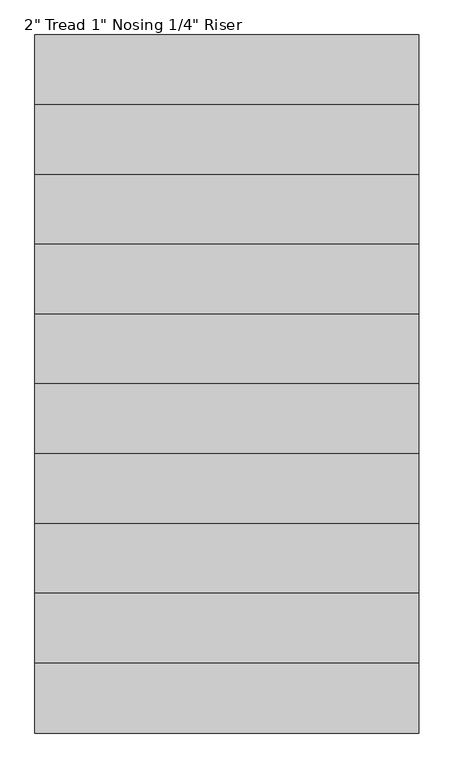
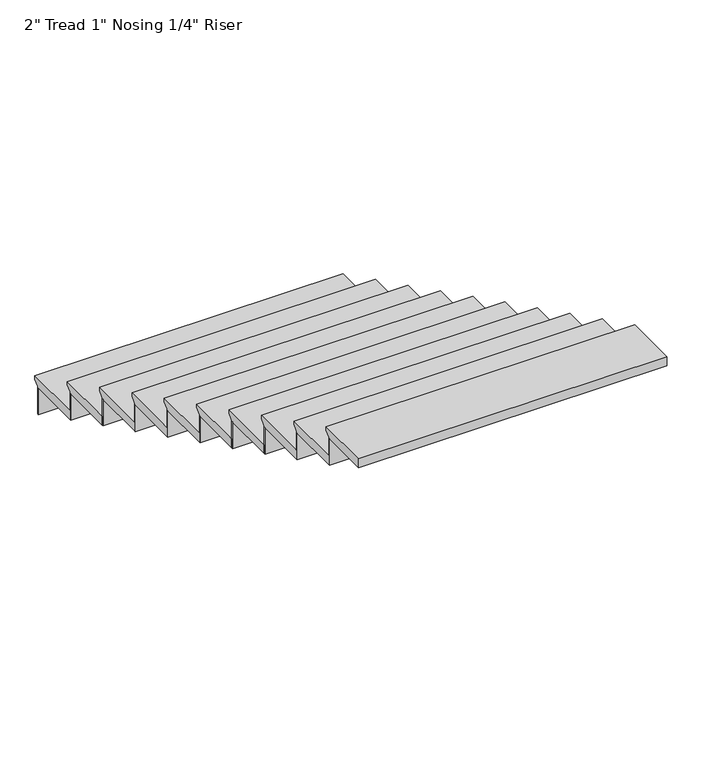
"""IFC4 building model written with IfcOpenShell, lengths in millimetres: stair flight geometry."""

from ifc_helpers import new_model, si_unit, frame, origin, place, context, project, spatial, polyline, outline, extrude, source, transform, mapped, element, save


def stair_flight_04670fc2(model_context):
    return source(origin(), model_context, "Body", "SweptSolid", [
        extrude(outline(polyline([(224406.1956745, -2387.6), (224736.3956745, -2387.6), (224736.3956745, -2406.65), (224710.9956745, -2432.05), (224710.9956745, -2438.4), (224406.1956745, -2438.4), (224406.1956745, -2387.6)])), frame((-154720.9739901, 0.0, 0.0), z_axis=(1.0, 0.0, 0.0), x_axis=(0.0, 1.0, 0.0)), (0.0, 0.0, 1.0), 1676.4),
        extrude(outline(polyline([(-154720.9739901, 224704.6456745), (-154720.9739901, 224710.9956745), (-153044.5739901, 224710.9956745), (-153044.5739901, 224704.6456745), (-154720.9739901, 224704.6456745)])), frame((0.0, 0.0, -2590.8), z_axis=(0.0, 0.0, 1.0), x_axis=(1.0, 0.0, 0.0)), (0.0, 0.0, 1.0), 152.4),
        extrude(outline(polyline([(-154720.9739901, 224399.8456745), (-154720.9739901, 224406.1956745), (-153044.5739901, 224406.1956745), (-153044.5739901, 224399.8456745), (-154720.9739901, 224399.8456745)])), frame((0.0, 0.0, -2438.4), z_axis=(0.0, 0.0, 1.0), x_axis=(1.0, 0.0, 0.0)), (0.0, 0.0, 1.0), 152.4),
        extrude(outline(polyline([(224101.3956745, -2235.2), (224431.5956745, -2235.2), (224431.5956745, -2254.25), (224406.1956745, -2279.65), (224406.1956745, -2286.0), (224101.3956745, -2286.0), (224101.3956745, -2235.2)])), frame((-154720.9739901, 0.0, 0.0), z_axis=(1.0, 0.0, 0.0), x_axis=(0.0, 1.0, 0.0)), (0.0, 0.0, 1.0), 1676.4),
        extrude(outline(polyline([(-154720.9739901, 224095.0456745), (-154720.9739901, 224101.3956745), (-153044.5739901, 224101.3956745), (-153044.5739901, 224095.0456745), (-154720.9739901, 224095.0456745)])), frame((0.0, 0.0, -2286.0), z_axis=(0.0, 0.0, 1.0), x_axis=(1.0, 0.0, 0.0)), (0.0, 0.0, 1.0), 152.4),
        extrude(outline(polyline([(223796.5956745, -2082.8), (224126.7956745, -2082.8), (224126.7956745, -2101.85), (224101.3956745, -2127.25), (224101.3956745, -2133.6), (223796.5956745, -2133.6), (223796.5956745, -2082.8)])), frame((-154720.9739901, 0.0, 0.0), z_axis=(1.0, 0.0, 0.0), x_axis=(0.0, 1.0, 0.0)), (0.0, 0.0, 1.0), 1676.4),
        extrude(outline(polyline([(-154720.9739901, 223790.2456745), (-154720.9739901, 223796.5956745), (-153044.5739901, 223796.5956745), (-153044.5739901, 223790.2456745), (-154720.9739901, 223790.2456745)])), frame((0.0, 0.0, -2133.6), z_axis=(0.0, 0.0, 1.0), x_axis=(1.0, 0.0, 0.0)), (0.0, 0.0, 1.0), 152.4),
        extrude(outline(polyline([(223491.7956745, -1930.4), (223821.9956745, -1930.4), (223821.9956745, -1949.45), (223796.5956745, -1974.85), (223796.5956745, -1981.2), (223491.7956745, -1981.2), (223491.7956745, -1930.4)])), frame((-154720.9739901, 0.0, 0.0), z_axis=(1.0, 0.0, 0.0), x_axis=(0.0, 1.0, 0.0)), (0.0, 0.0, 1.0), 1676.4),
        extrude(outline(polyline([(-154720.9739901, 223485.4456745), (-154720.9739901, 223491.7956745), (-153044.5739901, 223491.7956745), (-153044.5739901, 223485.4456745), (-154720.9739901, 223485.4456745)])), frame((0.0, 0.0, -1981.2), z_axis=(0.0, 0.0, 1.0), x_axis=(1.0, 0.0, 0.0)), (0.0, 0.0, 1.0), 152.4),
        extrude(outline(polyline([(223186.9956745, -1778.0), (223517.1956745, -1778.0), (223517.1956745, -1797.05), (223491.7956745, -1822.45), (223491.7956745, -1828.8), (223186.9956745, -1828.8), (223186.9956745, -1778.0)])), frame((-154720.9739901, 0.0, 0.0), z_axis=(1.0, 0.0, 0.0), x_axis=(0.0, 1.0, 0.0)), (0.0, 0.0, 1.0), 1676.4),
        extrude(outline(polyline([(-154720.9739901, 223180.6456745), (-154720.9739901, 223186.9956745), (-153044.5739901, 223186.9956745), (-153044.5739901, 223180.6456745), (-154720.9739901, 223180.6456745)])), frame((0.0, 0.0, -1828.8), z_axis=(0.0, 0.0, 1.0), x_axis=(1.0, 0.0, 0.0)), (0.0, 0.0, 1.0), 152.4),
        extrude(outline(polyline([(222882.1956745, -1625.6), (223212.3956745, -1625.6), (223212.3956745, -1644.65), (223186.9956745, -1670.05), (223186.9956745, -1676.4), (222882.1956745, -1676.4), (222882.1956745, -1625.6)])), frame((-154720.9739901, 0.0, 0.0), z_axis=(1.0, 0.0, 0.0), x_axis=(0.0, 1.0, 0.0)), (0.0, 0.0, 1.0), 1676.4),
        extrude(outline(polyline([(-154720.9739901, 222875.8456745), (-154720.9739901, 222882.1956745), (-153044.5739901, 222882.1956745), (-153044.5739901, 222875.8456745), (-154720.9739901, 222875.8456745)])), frame((0.0, 0.0, -1676.4), z_axis=(0.0, 0.0, 1.0), x_axis=(1.0, 0.0, 0.0)), (0.0, 0.0, 1.0), 152.4),
        extrude(outline(polyline([(222577.3956745, -1473.2), (222907.5956745, -1473.2), (222907.5956745, -1492.25), (222882.1956745, -1517.65), (222882.1956745, -1524.0), (222577.3956745, -1524.0), (222577.3956745, -1473.2)])), frame((-154720.9739901, 0.0, 0.0), z_axis=(1.0, 0.0, 0.0), x_axis=(0.0, 1.0, 0.0)), (0.0, 0.0, 1.0), 1676.4),
        extrude(outline(polyline([(-154720.9739901, 222571.0456745), (-154720.9739901, 222577.3956745), (-153044.5739901, 222577.3956745), (-153044.5739901, 222571.0456745), (-154720.9739901, 222571.0456745)])), frame((0.0, 0.0, -1524.0), z_axis=(0.0, 0.0, 1.0), x_axis=(1.0, 0.0, 0.0)), (0.0, 0.0, 1.0), 152.4),
        extrude(outline(polyline([(222272.5956745, -1320.8), (222602.7956745, -1320.8), (222602.7956745, -1339.85), (222577.3956745, -1365.25), (222577.3956745, -1371.6), (222272.5956745, -1371.6), (222272.5956745, -1320.8)])), frame((-154720.9739901, 0.0, 0.0), z_axis=(1.0, 0.0, 0.0), x_axis=(0.0, 1.0, 0.0)), (0.0, 0.0, 1.0), 1676.4),
        extrude(outline(polyline([(-154720.9739901, 222266.2456745), (-154720.9739901, 222272.5956745), (-153044.5739901, 222272.5956745), (-153044.5739901, 222266.2456745), (-154720.9739901, 222266.2456745)])), frame((0.0, 0.0, -1371.6), z_axis=(0.0, 0.0, 1.0), x_axis=(1.0, 0.0, 0.0)), (0.0, 0.0, 1.0), 152.4),
        extrude(outline(polyline([(221967.7956745, -1168.4), (222297.9956745, -1168.4), (222297.9956745, -1187.45), (222272.5956745, -1212.85), (222272.5956745, -1219.2), (221967.7956745, -1219.2), (221967.7956745, -1168.4)])), frame((-154720.9739901, 0.0, 0.0), z_axis=(1.0, 0.0, 0.0), x_axis=(0.0, 1.0, 0.0)), (0.0, 0.0, 1.0), 1676.4),
        extrude(outline(polyline([(-154720.9739901, 221961.4456745), (-154720.9739901, 221967.7956745), (-153044.5739901, 221967.7956745), (-153044.5739901, 221961.4456745), (-154720.9739901, 221961.4456745)])), frame((0.0, 0.0, -1219.2), z_axis=(0.0, 0.0, 1.0), x_axis=(1.0, 0.0, 0.0)), (0.0, 0.0, 1.0), 152.4),
        extrude(outline(polyline([(221688.3956745, -1016.0), (221993.1956745, -1016.0), (221993.1956745, -1035.05), (221967.7956745, -1060.45), (221967.7956745, -1066.8), (221688.3956745, -1066.8), (221688.3956745, -1016.0)])), frame((-154720.9739901, 0.0, 0.0), z_axis=(1.0, 0.0, 0.0), x_axis=(0.0, 1.0, 0.0)), (0.0, 0.0, 1.0), 1676.4),
    ])


if __name__ == "__main__":
    model = new_model("IFC4")
    model_context = context("Model", 3, world=origin())
    ifc_project = project(units=[si_unit("LENGTHUNIT", "METRE", prefix="MILLI")], contexts=[model_context])
    site = spatial("IfcSite", under=ifc_project)
    building = spatial("IfcBuilding", under=site)
    placement = place(None, origin())
    stair_flight_shape = stair_flight_04670fc2(model_context)
    element("IfcStairFlight", 1, ObjectType="2\" Tread 1\" Nosing 1/4\" Riser", at=placement, inside=building, context=model_context, shape_type="MappedRepresentation", body=[
        mapped(stair_flight_shape, transform((0.0, 0.0, 0.0), x_axis=(1.0, 0.0, 0.0), y_axis=(0.0, 1.0, 0.0), z_axis=(0.0, 0.0, 1.0))),
    ])
    save(model, "model.ifc")
